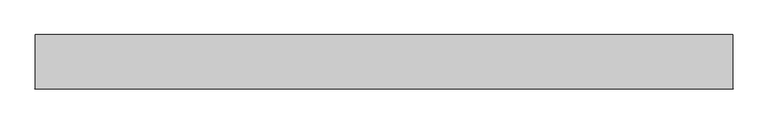
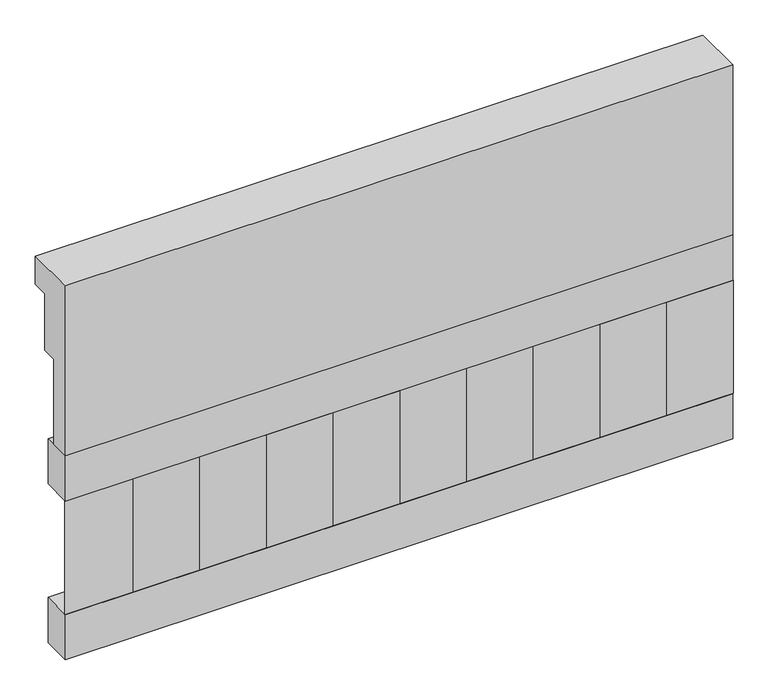
"""IFC4 building model written with IfcOpenShell, lengths in millimetres: railing geometry."""

from ifc_helpers import new_model, si_unit, frame, origin, place, context, project, spatial, polyline, outline, extrude, source, transform, mapped, element, save


def railing_093b4fa5(model_context):
    return source(origin(), model_context, "Body", "SweptSolid", [
        extrude(outline(polyline([(903.1079487, 28400.0), (1033.1079487, 28400.0), (1033.1079487, 28325.0), (993.1079487, 28325.0), (993.1079487, 28175.0), (953.1079487, 28175.0), (953.1079487, 27950.0), (903.1079487, 27950.0), (903.1079487, 28400.0)])), frame((-19279.9887159, 0.0, 0.0), z_axis=(1.0, 0.0, 0.0), x_axis=(0.0, 1.0, 0.0)), (0.0, 0.0, 1.0), 1670.0),
        extrude(outline(polyline([(-17609.9887159, 978.1079487), (-17609.9887159, 903.1079487), (-19279.9887159, 903.1079487), (-19279.9887159, 978.1079487), (-17609.9887159, 978.1079487)])), frame((0.0, 0.0, 27830.0), z_axis=(0.0, 0.0, 1.0), x_axis=(1.0, 0.0, 0.0)), (0.0, 0.0, 1.0), 120.0),
        extrude(outline(polyline([(-17609.9887159, 978.1079487), (-17609.9887159, 903.1079487), (-19279.9887159, 903.1079487), (-19279.9887159, 978.1079487), (-17609.9887159, 978.1079487)])), frame((0.0, 0.0, 27410.0), z_axis=(0.0, 0.0, 1.0), x_axis=(1.0, 0.0, 0.0)), (0.0, 0.0, 1.0), 120.0),
        extrude(outline(polyline([(-19196.4887159, 987.9607624), (-19111.6359022, 903.1079487), (-19281.3415296, 903.1079487), (-19196.4887159, 987.9607624)])), frame((0.0, 0.0, 27530.0), z_axis=(0.0, 0.0, 1.0), x_axis=(1.0, 0.0, 0.0)), (0.0, 0.0, 1.0), 300.0),
        extrude(outline(polyline([(-19029.4887159, 987.9607624), (-18944.6359022, 903.1079487), (-19114.3415296, 903.1079487), (-19029.4887159, 987.9607624)])), frame((0.0, 0.0, 27530.0), z_axis=(0.0, 0.0, 1.0), x_axis=(1.0, 0.0, 0.0)), (0.0, 0.0, 1.0), 300.0),
        extrude(outline(polyline([(-18862.4887159, 987.9607624), (-18777.6359022, 903.1079487), (-18947.3415296, 903.1079487), (-18862.4887159, 987.9607624)])), frame((0.0, 0.0, 27530.0), z_axis=(0.0, 0.0, 1.0), x_axis=(1.0, 0.0, 0.0)), (0.0, 0.0, 1.0), 300.0),
        extrude(outline(polyline([(-18695.4887159, 987.9607624), (-18610.6359022, 903.1079487), (-18780.3415296, 903.1079487), (-18695.4887159, 987.9607624)])), frame((0.0, 0.0, 27530.0), z_axis=(0.0, 0.0, 1.0), x_axis=(1.0, 0.0, 0.0)), (0.0, 0.0, 1.0), 300.0),
        extrude(outline(polyline([(-18528.4887159, 987.9607624), (-18443.6359022, 903.1079487), (-18613.3415296, 903.1079487), (-18528.4887159, 987.9607624)])), frame((0.0, 0.0, 27530.0), z_axis=(0.0, 0.0, 1.0), x_axis=(1.0, 0.0, 0.0)), (0.0, 0.0, 1.0), 300.0),
        extrude(outline(polyline([(-18361.4887159, 987.9607624), (-18276.6359022, 903.1079487), (-18446.3415296, 903.1079487), (-18361.4887159, 987.9607624)])), frame((0.0, 0.0, 27530.0), z_axis=(0.0, 0.0, 1.0), x_axis=(1.0, 0.0, 0.0)), (0.0, 0.0, 1.0), 300.0),
        extrude(outline(polyline([(-18194.4887159, 987.9607624), (-18109.6359022, 903.1079487), (-18279.3415296, 903.1079487), (-18194.4887159, 987.9607624)])), frame((0.0, 0.0, 27530.0), z_axis=(0.0, 0.0, 1.0), x_axis=(1.0, 0.0, 0.0)), (0.0, 0.0, 1.0), 300.0),
        extrude(outline(polyline([(-18027.4887159, 987.9607624), (-17942.6359022, 903.1079487), (-18112.3415296, 903.1079487), (-18027.4887159, 987.9607624)])), frame((0.0, 0.0, 27530.0), z_axis=(0.0, 0.0, 1.0), x_axis=(1.0, 0.0, 0.0)), (0.0, 0.0, 1.0), 300.0),
        extrude(outline(polyline([(-17860.4887159, 987.9607624), (-17775.6359022, 903.1079487), (-17945.3415296, 903.1079487), (-17860.4887159, 987.9607624)])), frame((0.0, 0.0, 27530.0), z_axis=(0.0, 0.0, 1.0), x_axis=(1.0, 0.0, 0.0)), (0.0, 0.0, 1.0), 300.0),
        extrude(outline(polyline([(-17693.4887159, 987.9607624), (-17608.6359022, 903.1079487), (-17778.3415296, 903.1079487), (-17693.4887159, 987.9607624)])), frame((0.0, 0.0, 27530.0), z_axis=(0.0, 0.0, 1.0), x_axis=(1.0, 0.0, 0.0)), (0.0, 0.0, 1.0), 300.0),
    ])


if __name__ == "__main__":
    model = new_model("IFC4")
    model_context = context("Model", 3, world=origin())
    ifc_project = project(units=[si_unit("LENGTHUNIT", "METRE", prefix="MILLI")], contexts=[model_context])
    site = spatial("IfcSite", under=ifc_project)
    building = spatial("IfcBuilding", under=site)
    placement = place(None, origin())
    railing_shape = railing_093b4fa5(model_context)
    element("IfcRailing", 1, at=placement, inside=building, context=model_context, shape_type="MappedRepresentation", body=[
        mapped(railing_shape, transform((0.0, 0.0, 0.0), x_axis=(1.0, 0.0, 0.0), y_axis=(0.0, 1.0, 0.0), z_axis=(0.0, 0.0, 1.0))),
    ])
    save(model, "model.ifc")
